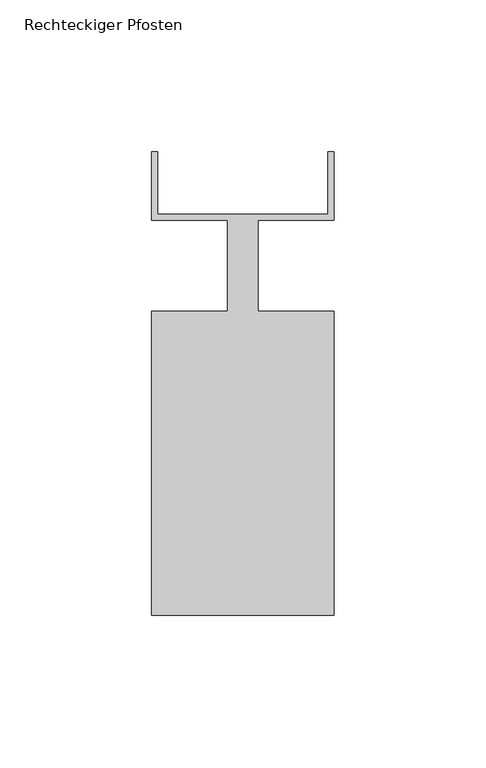
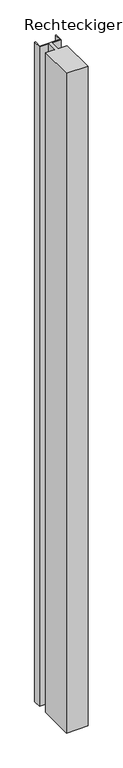
"""IFC4 building model written with IfcOpenShell, lengths in millimetres: member geometry, Rechteckiger Pfosten."""

from ifc_helpers import new_model, si_unit, frame, origin, place, context, project, spatial, polyline, outline, extrude, source, transform, mapped, element, save


def rechteckiger_pfosten_f287d4fd(model_context):
    return source(origin(), model_context, "Body", "SweptSolid", [
        extrude(outline(polyline([(28.0, 37.5), (30.0, 37.5), (30.0, 15.0), (5.0, 15.0), (5.0, -15.0), (30.0, -15.0), (30.0, -115.0), (-30.0, -115.0), (-30.0, -15.0), (-5.0, -15.0), (-5.0, 15.0), (-30.0, 15.0), (-30.0, 37.5), (-28.0, 37.5), (-28.0, 17.0), (28.0, 17.0), (28.0, 37.5)])), frame((0.0, 0.0, -1940.0), z_axis=(0.0, 0.0, 1.0), x_axis=(1.0, 0.0, 0.0)), (0.0, 0.0, 1.0), 1940.0),
    ])


if __name__ == "__main__":
    model = new_model("IFC4")
    model_context = context("Model", 3, world=origin())
    ifc_project = project(units=[si_unit("LENGTHUNIT", "METRE", prefix="MILLI")], contexts=[model_context])
    site = spatial("IfcSite", under=ifc_project)
    building = spatial("IfcBuilding", under=site)
    placement = place(None, origin())
    rechteckiger_pfosten_shape = rechteckiger_pfosten_f287d4fd(model_context)
    element("IfcMember", 1, ObjectType="Rechteckiger Pfosten", at=placement, inside=building, context=model_context, shape_type="MappedRepresentation", body=[
        mapped(rechteckiger_pfosten_shape, transform((0.0, 0.0, 0.0), x_axis=(1.0, 0.0, 0.0), y_axis=(0.0, 1.0, 0.0), z_axis=(0.0, 0.0, 1.0))),
    ])
    save(model, "model.ifc")
